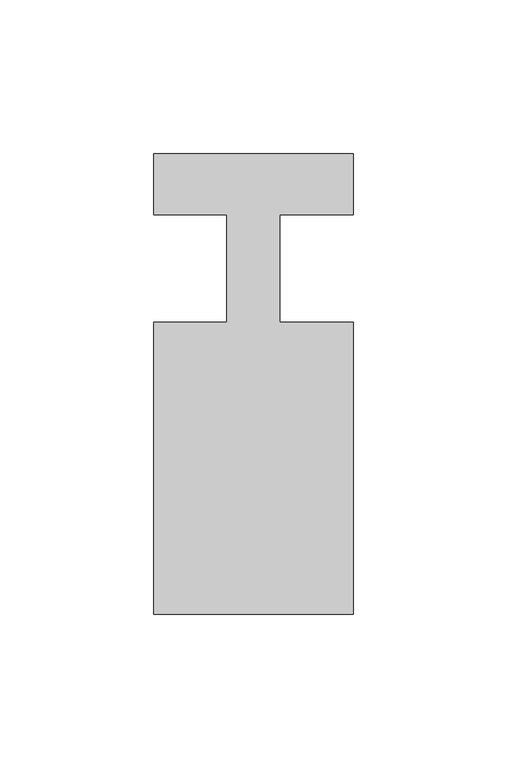
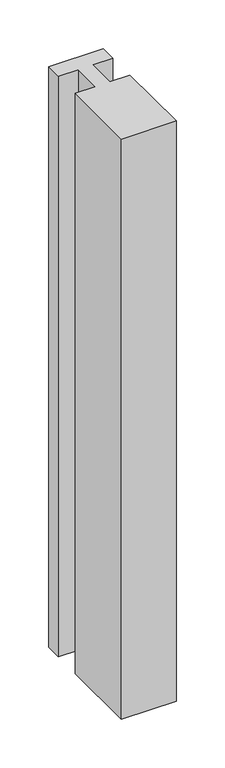
"""IFC4 building model written with IfcOpenShell, lengths in millimetres: member geometry."""

from ifc_helpers import new_model, si_unit, frame, origin, place, context, project, spatial, polyline, outline, extrude, source, transform, mapped, element, save


def member_cadb30c0(model_context):
    return source(origin(), model_context, "Body", "SweptSolid", [
        extrude(outline(polyline([(0.0, 37.0), (0.0, 17.0), (-23.8125, 17.0), (-23.8125, -18.0), (0.0, -18.0), (0.0, -113.0), (-65.0, -113.0), (-65.0, -18.0), (-41.1875, -18.0), (-41.1875, 17.0), (-65.0, 17.0), (-65.0, 37.0), (0.0, 37.0)])), frame((0.0, 0.0, -729.1666667), z_axis=(0.0, 0.0, 1.0), x_axis=(1.0, 0.0, 0.0)), (0.0, 0.0, 1.0), 729.1666667),
    ])


if __name__ == "__main__":
    model = new_model("IFC4")
    model_context = context("Model", 3, world=origin())
    ifc_project = project(units=[si_unit("LENGTHUNIT", "METRE", prefix="MILLI")], contexts=[model_context])
    site = spatial("IfcSite", under=ifc_project)
    building = spatial("IfcBuilding", under=site)
    placement = place(None, origin())
    member_shape = member_cadb30c0(model_context)
    element("IfcMember", 1, at=placement, inside=building, context=model_context, shape_type="MappedRepresentation", body=[
        mapped(member_shape, transform((0.0, 0.0, 0.0), x_axis=(1.0, 0.0, 0.0), y_axis=(0.0, 1.0, 0.0), z_axis=(0.0, 0.0, 1.0))),
    ])
    save(model, "model.ifc")
